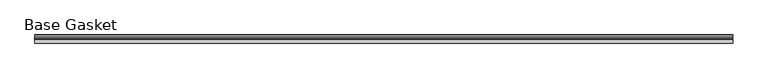
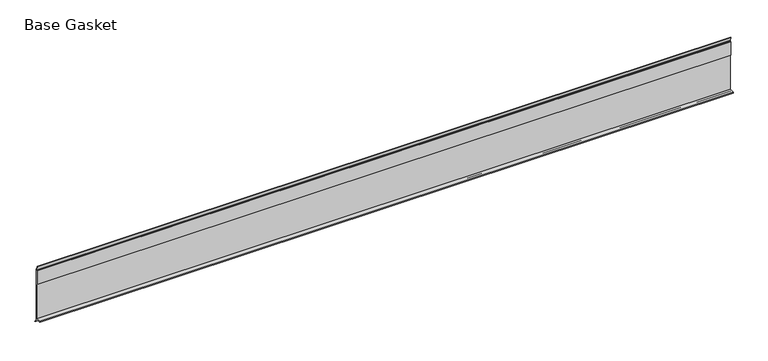
"""IFC4 building model written with IfcOpenShell, lengths in millimetres: furniture geometry, Base Gasket."""

from ifc_helpers import new_model, si_unit, frame, origin, place, context, project, spatial, polyline, outline, extrude, source, transform, mapped, element, save


def base_gasket_342b4399(model_context):
    return source(origin(), model_context, "Body", "SweptSolid", [
        extrude(outline(polyline([(3.7283812, 98.4568417), (3.7283812, 4.3498477), (7.4222115, 0.6560174), (7.8482342, 0.0), (6.8281054, 0.3520979), (2.2043812, 4.3498477), (2.1334222, 6.3818476), (-6.2405171, 6.3818476), (-6.2405171, 7.9398773), (2.2043812, 7.9398773), (2.2043812, 71.4693447), (1.4106313, 71.4693447), (1.4106313, 96.8693477), (2.2043812, 96.8693477), (2.2043812, 98.4568417), (0.6755308, 104.4162708), (0.6755308, 105.2002997), (1.1891543, 104.587663), (3.7283812, 98.4568417)])), frame((-1527.8982117, 0.0, 0.0), z_axis=(1.0, 0.0, 0.0), x_axis=(0.0, 1.0, 0.0)), (0.0, 0.0, 1.0), 1210.2924882),
    ])


if __name__ == "__main__":
    model = new_model("IFC4")
    model_context = context("Model", 3, world=origin())
    ifc_project = project(units=[si_unit("LENGTHUNIT", "METRE", prefix="MILLI")], contexts=[model_context])
    site = spatial("IfcSite", under=ifc_project)
    building = spatial("IfcBuilding", under=site)
    placement = place(None, origin())
    base_gasket_shape = base_gasket_342b4399(model_context)
    element("IfcFurniture", 1, ObjectType="Base Gasket", at=placement, inside=building, context=model_context, shape_type="MappedRepresentation", body=[
        mapped(base_gasket_shape, transform((0.0, 0.0, 0.0), x_axis=(1.0, 0.0, 0.0), y_axis=(0.0, 1.0, 0.0), z_axis=(0.0, 0.0, 1.0))),
    ])
    save(model, "model.ifc")
